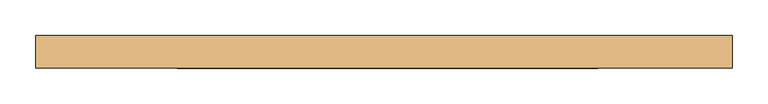
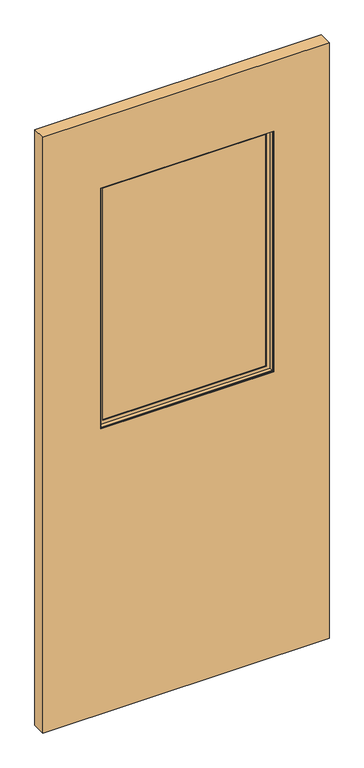
"""IFC4 building model written with IfcOpenShell, lengths in millimetres: door geometry."""

from ifc_helpers import new_model, si_unit, frame, origin, place, context, project, spatial, polyline, outline, extrude, faceted_brep, source, transform, mapped, element, save


def door_8e904424(model_context):
    return source(origin(), model_context, "Body", "SolidModel", [
        extrude(outline(polyline([(300.7535674, 3.175), (300.7535674, -3.175), (-291.0664326, -3.175), (-291.0664326, 3.175), (300.7535674, 3.175)])), frame((0.0, 0.0, 1044.9435027), z_axis=(0.0, 0.0, 1.0), x_axis=(1.0, 0.0, 0.0)), (0.0, 0.0, 1.0), 871.22),
        faceted_brep([(-275.1758536, -3.797467, 1900.2729238), (-275.1758536, -6.9755828, 1900.2729238), (-275.1758536, -6.9755828, 1060.8340817), (-275.1758536, -3.797467, 1060.8340817), (284.8629885, -6.9755828, 1060.8340817), (284.8629885, -3.797467, 1060.8340817), (297.5754516, -6.9755828, 1048.1216185), (297.5754516, -6.9755828, 1912.9853869), (-287.8883168, -6.9755828, 1912.9853869), (-287.8883168, -6.9755828, 1048.1216185), (284.8629885, -6.9755828, 1900.2729238), (284.8629885, -3.797467, 1900.2729238), (-291.0664326, -3.797467, 1044.9435027), (-291.0664326, -3.797467, 1916.1635027), (300.7535674, -3.797467, 1916.1635027), (300.7535674, -3.797467, 1044.9435027), (-291.0664326, -19.688046, 1916.1635027), (-291.0664326, -19.688046, 1044.9435027), (300.7535674, -19.688046, 1044.9435027), (300.7535674, -19.688046, 1916.1635027), (-287.8883168, -19.688046, 1048.1216185), (-287.8883168, -19.688046, 1912.9853869), (297.5754516, -19.688046, 1912.9853869), (297.5754516, -19.688046, 1048.1216185)], [[[0, 1, 2, 3]], [[3, 2, 4, 5]], [[6, 7, 8, 9], [2, 1, 10, 4]], [[5, 4, 10, 11]], [[12, 13, 14, 15], [5, 11, 0, 3]], [[16, 13, 12, 17]], [[17, 12, 15, 18]], [[18, 15, 14, 19]], [[18, 19, 16, 17], [20, 21, 22, 23]], [[8, 21, 20, 9]], [[9, 20, 23, 6]], [[6, 23, 22, 7]], [[11, 10, 1, 0]], [[19, 14, 13, 16]], [[7, 22, 21, 8]]]),
        faceted_brep([(-287.8883168, 19.688046, 1912.9853869), (-287.8883168, 6.9755828, 1912.9853869), (-287.8883168, 6.9755828, 1048.1216185), (-287.8883168, 19.688046, 1048.1216185), (297.5754516, 6.9755828, 1048.1216185), (297.5754516, 19.688046, 1048.1216185), (297.5754516, 6.9755828, 1912.9853869), (284.8629885, 6.9755828, 1060.8340817), (284.8629885, 6.9755828, 1900.2729238), (-275.1758536, 6.9755828, 1900.2729238), (-275.1758536, 6.9755828, 1060.8340817), (297.5754516, 19.688046, 1912.9853869), (-291.0664326, 19.688046, 1044.9435027), (-291.0664326, 19.688046, 1916.1635027), (300.7535674, 19.688046, 1916.1635027), (300.7535674, 19.688046, 1044.9435027), (-291.0664326, 3.797467, 1916.1635027), (-291.0664326, 3.797467, 1044.9435027), (300.7535674, 3.797467, 1044.9435027), (300.7535674, 3.797467, 1916.1635027), (-275.1758536, 3.797467, 1060.8340817), (-275.1758536, 3.797467, 1900.2729238), (284.8629885, 3.797467, 1900.2729238), (284.8629885, 3.797467, 1060.8340817)], [[[0, 1, 2, 3]], [[3, 2, 4, 5]], [[2, 1, 6, 4], [7, 8, 9, 10]], [[5, 4, 6, 11]], [[12, 13, 14, 15], [5, 11, 0, 3]], [[16, 13, 12, 17]], [[17, 12, 15, 18]], [[18, 15, 14, 19]], [[18, 19, 16, 17], [20, 21, 22, 23]], [[9, 21, 20, 10]], [[10, 20, 23, 7]], [[7, 23, 22, 8]], [[11, 6, 1, 0]], [[19, 14, 13, 16]], [[8, 22, 21, 9]]]),
        extrude(outline(polyline([(2170.1635027, 490.4564326), (2170.1635027, -490.4564326), (12.7, -490.4564326), (12.7, 490.4564326), (2170.1635027, 490.4564326)]), holes=[polyline([(1916.1635027, -291.0664326), (1916.1635027, 300.7535674), (1044.9435027, 300.7535674), (1044.9435027, -291.0664326), (1916.1635027, -291.0664326)])]), frame((0.0, -23.114, 0.0), z_axis=(0.0, 1.0, 0.0), x_axis=(0.0, 0.0, 1.0)), (0.0, 0.0, 1.0), 46.228),
    ])


if __name__ == "__main__":
    model = new_model("IFC4")
    model_context = context("Model", 3, world=origin())
    ifc_project = project(units=[si_unit("LENGTHUNIT", "METRE", prefix="MILLI")], contexts=[model_context])
    site = spatial("IfcSite", under=ifc_project)
    building = spatial("IfcBuilding", under=site)
    placement = place(None, origin())
    door_shape = door_8e904424(model_context)
    element("IfcDoor", 1, at=placement, inside=building, context=model_context, shape_type="MappedRepresentation", body=[
        mapped(door_shape, transform((0.0, 0.0, 0.0), x_axis=(1.0, 0.0, 0.0), y_axis=(0.0, 1.0, 0.0), z_axis=(0.0, 0.0, 1.0))),
    ])
    save(model, "model.ifc")
